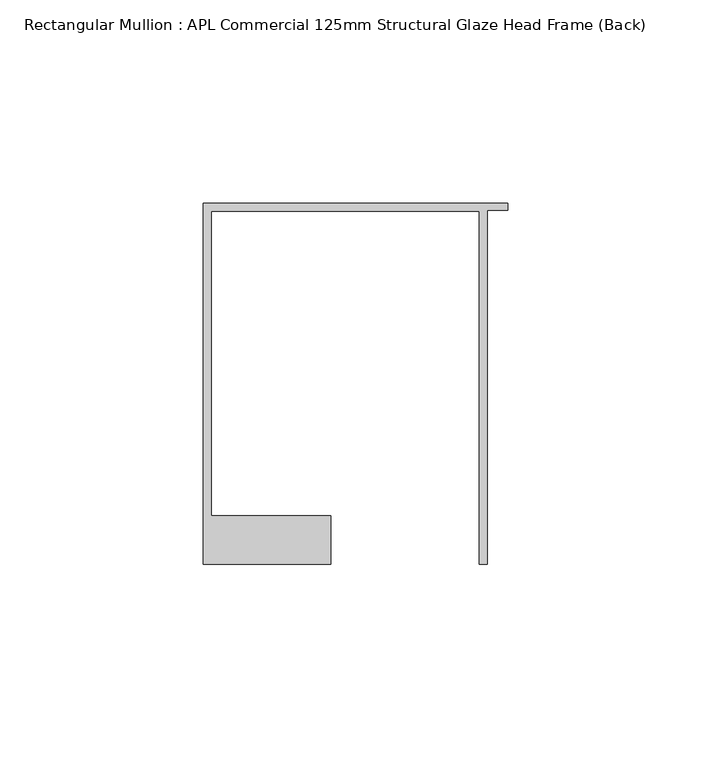
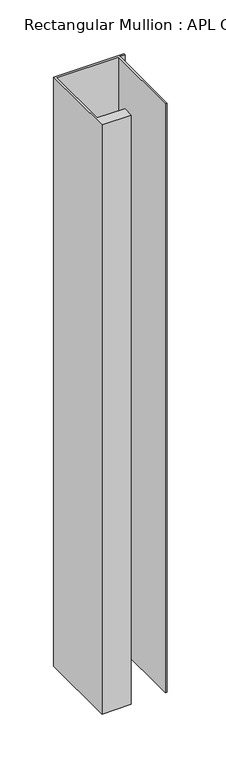
"""IFC4 building model written with IfcOpenShell, lengths in millimetres: member geometry, Rectangular Mullion : APL Commercial 125mm Structural Glaze Head Frame (Back)."""

from ifc_helpers import new_model, si_unit, frame, origin, place, context, project, spatial, polyline, outline, extrude, source, transform, mapped, element, save


def rectangular_mullion_apl_commercial_125mm_structural_glaze_0c70b2d8(model_context):
    return source(origin(), model_context, "Body", "SweptSolid", [
        extrude(outline(polyline([(-75.0, 103.9993063), (0.0, 103.9993063), (0.0, 102.1993063), (-5.0, 102.1993063), (-5.0, 14.9998342), (-7.0, 14.9998342), (-7.0, 101.9993063), (-73.0, 101.9993063), (-73.0, 26.9997514), (-43.5000151, 26.9997514), (-43.5000151, 14.9998342), (-75.0, 14.9998342), (-75.0, 103.9993063)])), frame((0.0, 0.0, -666.0250258), z_axis=(0.0, 0.0, 1.0), x_axis=(1.0, 0.0, 0.0)), (0.0, 0.0, 1.0), 666.0250258),
    ])


if __name__ == "__main__":
    model = new_model("IFC4")
    model_context = context("Model", 3, world=origin())
    ifc_project = project(units=[si_unit("LENGTHUNIT", "METRE", prefix="MILLI")], contexts=[model_context])
    site = spatial("IfcSite", under=ifc_project)
    building = spatial("IfcBuilding", under=site)
    placement = place(None, origin())
    rectangular_mullion_apl_commercial_125mm_structural_glaze_shape = rectangular_mullion_apl_commercial_125mm_structural_glaze_0c70b2d8(model_context)
    element("IfcMember", 1, ObjectType="Rectangular Mullion : APL Commercial 125mm Structural Glaze Head Frame (Back)", at=placement, inside=building, context=model_context, shape_type="MappedRepresentation", body=[
        mapped(rectangular_mullion_apl_commercial_125mm_structural_glaze_shape, transform((0.0, 0.0, 0.0), x_axis=(1.0, 0.0, 0.0), y_axis=(0.0, 1.0, 0.0), z_axis=(0.0, 0.0, 1.0))),
    ])
    save(model, "model.ifc")
